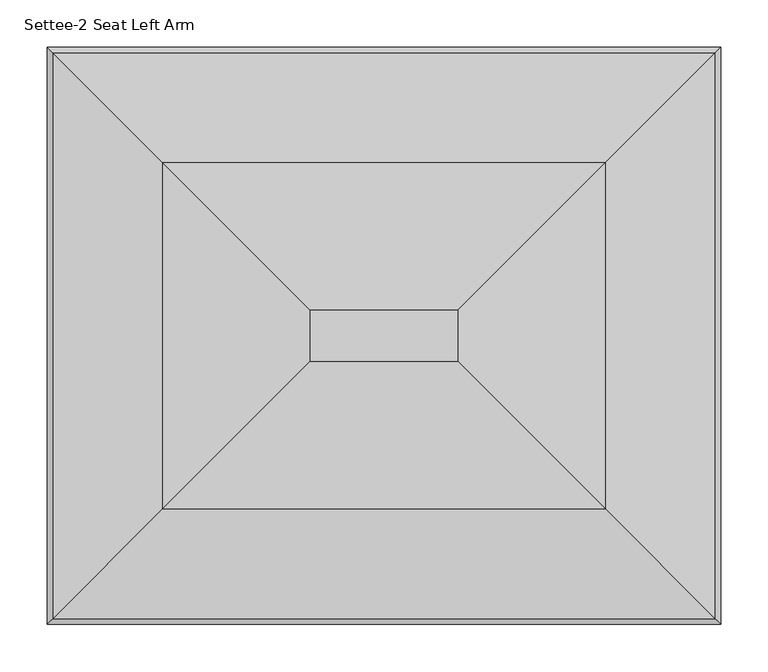
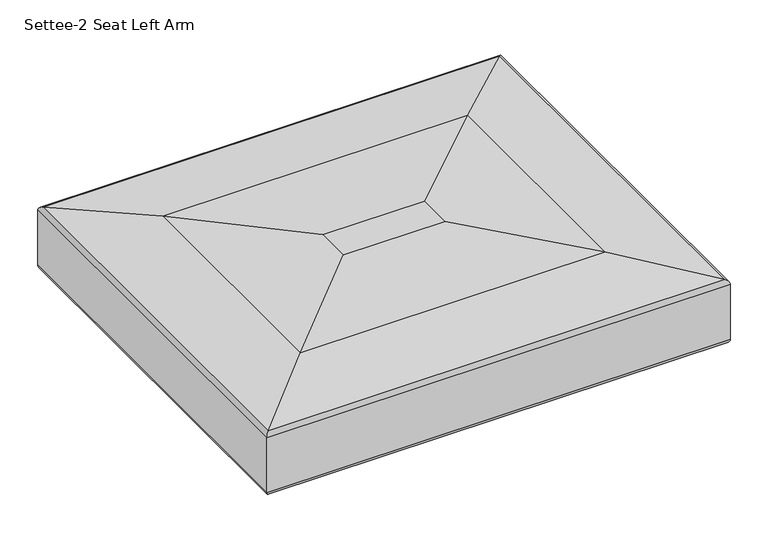
"""IFC4 building model written with IfcOpenShell, lengths in millimetres: furniture geometry, Settee-2 Seat Left Arm."""

from ifc_helpers import new_model, si_unit, frame, origin, place, context, project, spatial, ellipse_curve, source, transform, mapped, element, save
from ifc_brep_helpers import plane_surface, cylinder_surface, advanced_brep


def settee_2_seat_left_arm_425a2ee6(model_context):
    return source(origin(), model_context, "Body", "AdvancedBrep", [
        advanced_brep(
        [(3.6589271, -758.2176259, 336.5161259), (54.9018533, -706.9746997, 323.8599964), (656.2981467, -706.9746997, 323.8599964), (707.5410729, -758.2176259, 336.5161259), (711.2, -761.876553, 342.2677019), (0.0, -761.876553, 342.2677019), (711.2, -761.876553, 431.6520878), (0.0, -761.876553, 431.6520878), (705.6617206, -756.3382736, 437.949993), (5.5382794, -756.3382736, 437.949993), (589.6501341, -640.326687, 452.9024246), (121.5498659, -640.326687, 452.9024246), (433.799776, -484.476329, 462.9046302), (277.400224, -484.476329, 462.9046302), (656.2981467, -207.3018533, 323.8599964), (707.5410729, -156.0589271, 336.5161259), (711.2, -152.4, 342.2677019), (711.2, -152.4, 431.6520878), (705.6617206, -157.9382794, 437.949993), (589.6501341, -273.9498659, 452.9024246), (433.799776, -429.800224, 462.9046302), (54.9018533, -207.3018533, 323.8599964), (3.6589271, -156.0589271, 336.5161259), (0.0, -152.4, 342.2677019), (0.0, -152.4, 431.6520878), (5.5382794, -157.9382794, 437.949993), (121.5498659, -273.9498659, 452.9024246), (277.400224, -429.800224, 462.9046302)],
        [
            (0, 1, ellipse_curve(frame((61.2373178, -700.6392352, 459.5772619), z_axis=(0.7071067811865475, -0.7071067811865475, 0.0), x_axis=(-0.7071067811865476, -0.7071067811865474, 0.0)), 192.1422091, 135.865059)),
            (1, 2),
            (2, 3, ellipse_curve(frame((649.9626822, -700.6392352, 459.5772619), z_axis=(-0.7071067811865475, -0.7071067811865475, 0.0), x_axis=(-0.7071067811865476, 0.7071067811865474, 0.0)), 192.1422091, 135.865059)),
            (3, 0),
            (3, 4, ellipse_curve(frame((704.85, -755.526553, 342.2677019), z_axis=(-0.7071067811865475, -0.7071067811865475, 0.0), x_axis=(-0.7071067811865476, 0.7071067811865474, 0.0)), 8.9802561, 6.35)),
            (4, 5),
            (5, 0, ellipse_curve(frame((6.35, -755.526553, 342.2677019), z_axis=(0.7071067811865475, -0.7071067811865475, 0.0), x_axis=(-0.7071067811865476, -0.7071067811865474, 0.0)), 8.9802561, 6.35)),
            (4, 6),
            (6, 7),
            (7, 5),
            (6, 8, ellipse_curve(frame((704.85, -755.526553, 431.6520878), z_axis=(-0.7071067811865475, -0.7071067811865475, 0.0), x_axis=(-0.7071067811865476, 0.7071067811865474, 0.0)), 8.9802561, 6.35)),
            (8, 9),
            (9, 7, ellipse_curve(frame((6.35, -755.526553, 431.6520878), z_axis=(0.7071067811865475, -0.7071067811865475, 0.0), x_axis=(-0.7071067811865476, -0.7071067811865474, 0.0)), 8.9802561, 6.35)),
            (8, 10),
            (10, 11),
            (11, 9),
            (10, 12, ellipse_curve(frame((433.799776, -484.476329, -756.2953698), z_axis=(-0.7071067811865475, -0.7071067811865475, 0.0), x_axis=(-0.7071067811865476, 0.7071067811865474, 0.0)), 1724.2091752, 1219.2)),
            (12, 13),
            (13, 11, ellipse_curve(frame((277.400224, -484.476329, -756.2953698), z_axis=(0.7071067811865475, -0.7071067811865475, 0.0), x_axis=(-0.7071067811865476, -0.7071067811865474, 0.0)), 1724.2091752, 1219.2)),
            (2, 14),
            (14, 15, ellipse_curve(frame((649.9626822, -213.6373178, 459.5772619), z_axis=(0.7071067811865475, -0.7071067811865475, 0.0), x_axis=(-0.7071067811865474, -0.7071067811865476, 0.0)), 192.1422091, 135.865059)),
            (15, 3),
            (15, 16, ellipse_curve(frame((704.85, -158.75, 342.2677019), z_axis=(0.7071067811865475, -0.7071067811865475, 0.0), x_axis=(-0.7071067811865474, -0.7071067811865476, 0.0)), 8.9802561, 6.35)),
            (16, 4),
            (16, 17),
            (17, 6),
            (17, 18, ellipse_curve(frame((704.85, -158.75, 431.6520878), z_axis=(0.7071067811865475, -0.7071067811865475, 0.0), x_axis=(-0.7071067811865474, -0.7071067811865476, 0.0)), 8.9802561, 6.35)),
            (18, 8),
            (18, 19),
            (19, 10),
            (19, 20, ellipse_curve(frame((433.799776, -429.800224, -756.2953698), z_axis=(0.7071067811865475, -0.7071067811865475, 0.0), x_axis=(-0.7071067811865474, -0.7071067811865476, 0.0)), 1724.2091752, 1219.2)),
            (20, 12),
            (14, 21),
            (21, 22, ellipse_curve(frame((61.2373178, -213.6373178, 459.5772619), z_axis=(0.7071067811865475, 0.7071067811865475, 0.0), x_axis=(0.7071067811865476, -0.7071067811865474, 0.0)), 192.1422091, 135.865059)),
            (22, 15),
            (22, 23, ellipse_curve(frame((6.35, -158.75, 342.2677019), z_axis=(0.7071067811865475, 0.7071067811865475, 0.0), x_axis=(0.7071067811865476, -0.7071067811865474, 0.0)), 8.9802561, 6.35)),
            (23, 16),
            (23, 24),
            (24, 17),
            (24, 25, ellipse_curve(frame((6.35, -158.75, 431.6520878), z_axis=(0.7071067811865475, 0.7071067811865475, 0.0), x_axis=(0.7071067811865476, -0.7071067811865474, 0.0)), 8.9802561, 6.35)),
            (25, 18),
            (25, 26),
            (26, 19),
            (26, 27, ellipse_curve(frame((277.400224, -429.800224, -756.2953698), z_axis=(0.7071067811865475, 0.7071067811865475, 0.0), x_axis=(0.7071067811865476, -0.7071067811865474, 0.0)), 1724.2091752, 1219.2)),
            (27, 20),
            (0, 22),
            (21, 1),
            (5, 23),
            (7, 24),
            (9, 25),
            (11, 26),
            (13, 27),
        ],
        [
            cylinder_surface(frame((0.0, -700.6392352, 459.5772619), z_axis=(-1.0, 0.0, 0.0), x_axis=(0.0, 1.0, 0.0)), 135.865059),
            cylinder_surface(frame((0.0, -755.526553, 342.2677019), z_axis=(-1.0, 0.0, 0.0), x_axis=(0.0, 1.0, 0.0)), 6.35),
            plane_surface(frame((0.0, -761.876553, 342.2677019), z_axis=(0.0, -1.0, 0.0), x_axis=(1.0, 0.0, 0.0))),
            cylinder_surface(frame((0.0, -755.526553, 431.6520878), z_axis=(-1.0, 0.0, 0.0), x_axis=(0.0, 1.0, 0.0)), 6.35),
            plane_surface(frame((5.5382794, -756.3382736, 437.949993), z_axis=(0.0, -0.1278300180799031, 0.9917960911788732), x_axis=(1.0, 0.0, 0.0))),
            cylinder_surface(frame((0.0, -484.476329, -756.2953698), z_axis=(-1.0, 0.0, 0.0), x_axis=(0.0, 1.0, 0.0)), 1219.2),
            cylinder_surface(frame((649.9626822, -761.876553, 459.5772619), z_axis=(0.0, -1.0, 0.0), x_axis=(-1.0, 0.0, 0.0)), 135.865059),
            cylinder_surface(frame((704.85, -761.876553, 342.2677019), z_axis=(0.0, -1.0, 0.0), x_axis=(-1.0, 0.0, 0.0)), 6.35),
            plane_surface(frame((711.2, -761.876553, 342.2677019), z_axis=(1.0, 0.0, 0.0), x_axis=(0.0, 1.0, 0.0))),
            cylinder_surface(frame((704.85, -761.876553, 431.6520878), z_axis=(0.0, -1.0, 0.0), x_axis=(-1.0, 0.0, 0.0)), 6.35),
            plane_surface(frame((705.6617206, -756.3382736, 437.949993), z_axis=(0.1278300180799031, 0.0, 0.9917960911788732), x_axis=(0.0, 1.0, 0.0))),
            cylinder_surface(frame((433.799776, -761.876553, -756.2953698), z_axis=(0.0, -1.0, 0.0), x_axis=(-1.0, 0.0, 0.0)), 1219.2),
            cylinder_surface(frame((711.2, -213.6373178, 459.5772619), z_axis=(1.0, 0.0, 0.0), x_axis=(0.0, -1.0, 0.0)), 135.865059),
            cylinder_surface(frame((711.2, -158.75, 342.2677019), z_axis=(1.0, 0.0, 0.0), x_axis=(0.0, -1.0, 0.0)), 6.35),
            plane_surface(frame((711.2, -152.4, 342.2677019), z_axis=(0.0, 1.0, 0.0), x_axis=(-1.0, 0.0, 0.0))),
            cylinder_surface(frame((711.2, -158.75, 431.6520878), z_axis=(1.0, 0.0, 0.0), x_axis=(0.0, -1.0, 0.0)), 6.35),
            plane_surface(frame((705.6617206, -157.9382794, 437.949993), z_axis=(0.0, 0.1278300180799031, 0.9917960911788732), x_axis=(-1.0, 0.0, 0.0))),
            cylinder_surface(frame((711.2, -429.800224, -756.2953698), z_axis=(1.0, 0.0, 0.0), x_axis=(0.0, -1.0, 0.0)), 1219.2),
            cylinder_surface(frame((61.2373178, -152.4, 459.5772619), z_axis=(0.0, 1.0, 0.0), x_axis=(1.0, 0.0, 0.0)), 135.865059),
            cylinder_surface(frame((6.35, -152.4, 342.2677019), z_axis=(0.0, 1.0, 0.0), x_axis=(1.0, 0.0, 0.0)), 6.35),
            plane_surface(frame((0.0, -152.4, 342.2677019), z_axis=(-1.0, 0.0, 0.0), x_axis=(0.0, -1.0, 0.0))),
            cylinder_surface(frame((6.35, -152.4, 431.6520878), z_axis=(0.0, 1.0, 0.0), x_axis=(1.0, 0.0, 0.0)), 6.35),
            plane_surface(frame((5.5382794, -157.9382794, 437.949993), z_axis=(-0.1278300180799031, 0.0, 0.9917960911788732), x_axis=(0.0, -1.0, 0.0))),
            cylinder_surface(frame((277.400224, -152.4, -756.2953698), z_axis=(0.0, 1.0, 0.0), x_axis=(1.0, 0.0, 0.0)), 1219.2),
            plane_surface(frame((277.400224, -429.800224, 462.9046302), z_axis=(0.0, 0.0, 1.0), x_axis=(0.0, -1.0, 0.0))),
            plane_surface(frame((279.4, -431.8, 323.8599964), z_axis=(0.0, 0.0, -1.0), x_axis=(0.0, -1.0, 0.0))),
        ],
        [
            (0, [[1, 2, 3, 4]]),
            (1, [[-4, 5, 6, 7]]),
            (2, [[-6, 8, 9, 10]]),
            (3, [[-9, 11, 12, 13]]),
            (4, [[-12, 14, 15, 16]]),
            (5, [[-15, 17, 18, 19]]),
            (6, [[-3, 20, 21, 22]]),
            (7, [[-5, -22, 23, 24]]),
            (8, [[-8, -24, 25, 26]]),
            (9, [[-11, -26, 27, 28]]),
            (10, [[-14, -28, 29, 30]]),
            (11, [[-17, -30, 31, 32]]),
            (12, [[-21, 33, 34, 35]]),
            (13, [[-23, -35, 36, 37]]),
            (14, [[-25, -37, 38, 39]]),
            (15, [[-27, -39, 40, 41]]),
            (16, [[-29, -41, 42, 43]]),
            (17, [[-31, -43, 44, 45]]),
            (18, [[-1, 46, -34, 47]]),
            (19, [[-7, 48, -36, -46]]),
            (20, [[-10, 49, -38, -48]]),
            (21, [[-13, 50, -40, -49]]),
            (22, [[-16, 51, -42, -50]]),
            (23, [[-19, 52, -44, -51]]),
            (24, [[-18, -32, -45, -52]]),
            (25, [[-2, -47, -33, -20]]),
        ],
    ),
    ])


if __name__ == "__main__":
    model = new_model("IFC4")
    model_context = context("Model", 3, world=origin())
    ifc_project = project(units=[si_unit("LENGTHUNIT", "METRE", prefix="MILLI")], contexts=[model_context])
    site = spatial("IfcSite", under=ifc_project)
    building = spatial("IfcBuilding", under=site)
    placement = place(None, origin())
    settee_2_seat_left_arm_shape = settee_2_seat_left_arm_425a2ee6(model_context)
    element("IfcFurniture", 1, ObjectType="Settee-2 Seat Left Arm", at=placement, inside=building, context=model_context, shape_type="MappedRepresentation", body=[
        mapped(settee_2_seat_left_arm_shape, transform((0.0, 0.0, 0.0), x_axis=(1.0, 0.0, 0.0), y_axis=(0.0, 1.0, 0.0), z_axis=(0.0, 0.0, 1.0))),
    ])
    save(model, "model.ifc")
